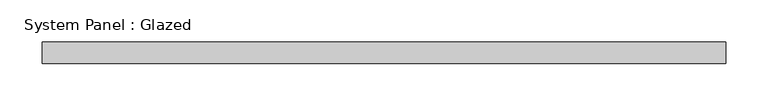
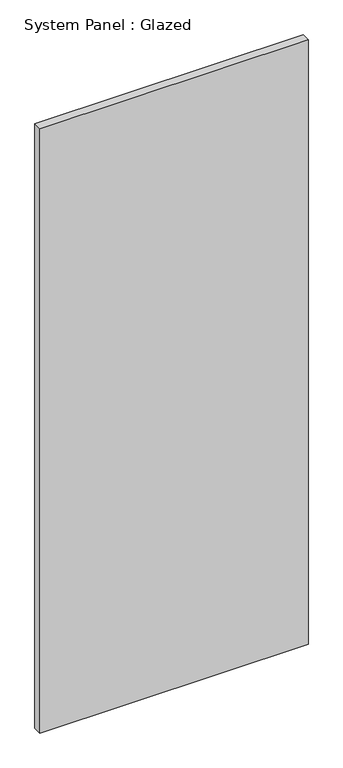
"""IFC4 building model written with IfcOpenShell, lengths in millimetres: plate geometry, System Panel : Glazed."""

from ifc_helpers import new_model, si_unit, origin, origin_with_axes, place, context, project, spatial, polyline, outline, extrude, source, transform, mapped, element, save


def system_panel_glazed_2339f702(model_context):
    return source(origin(), model_context, "Body", "SweptSolid", [
        extrude(outline(polyline([(403.8101528, 19.05), (-403.8101528, 19.05), (-403.8101528, 44.45), (403.8101528, 44.45), (403.8101528, 19.05)])), origin_with_axes(), (0.0, 0.0, 1.0), 1924.05),
    ])


if __name__ == "__main__":
    model = new_model("IFC4")
    model_context = context("Model", 3, world=origin())
    ifc_project = project(units=[si_unit("LENGTHUNIT", "METRE", prefix="MILLI")], contexts=[model_context])
    site = spatial("IfcSite", under=ifc_project)
    building = spatial("IfcBuilding", under=site)
    placement = place(None, origin())
    system_panel_glazed_shape = system_panel_glazed_2339f702(model_context)
    element("IfcPlate", 1, ObjectType="System Panel : Glazed", at=placement, inside=building, context=model_context, shape_type="MappedRepresentation", body=[
        mapped(system_panel_glazed_shape, transform((0.0, 0.0, 0.0), x_axis=(1.0, 0.0, 0.0), y_axis=(0.0, 1.0, 0.0), z_axis=(0.0, 0.0, 1.0))),
    ])
    save(model, "model.ifc")
